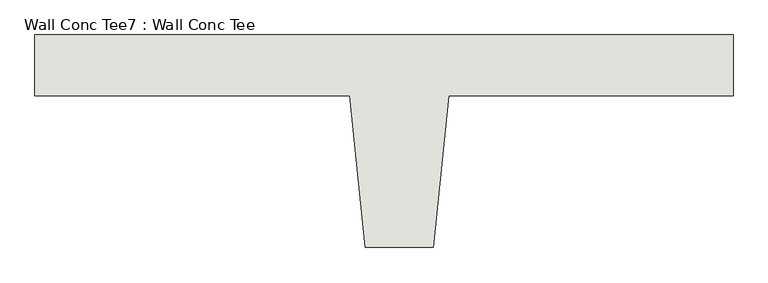
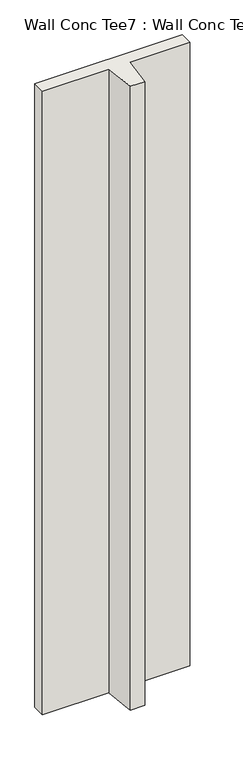
"""IFC4 building model written with IfcOpenShell, lengths in millimetres: wall geometry, Wall Conc Tee7 : Wall Conc Tee."""

from ifc_helpers import new_model, si_unit, frame, origin, place, context, project, spatial, polyline, outline, extrude, source, transform, mapped, element, save


def wall_conc_tee7_wall_conc_tee_f56462ca(model_context):
    return source(origin(), model_context, "Body", "SweptSolid", [
        extrude(outline(polyline([(223533.4728488, 159042.8596581), (223533.4728488, 158941.2596581), (223057.2228488, 158941.2596581), (223031.8228488, 158687.2596581), (222917.5228488, 158687.2596581), (222892.1228488, 158941.2596581), (222365.0728488, 158941.2596581), (222365.0728488, 159042.8596581), (223533.4728488, 159042.8596581)])), frame((0.0, 0.0, 143.7592564), z_axis=(0.0, 0.0, 1.0), x_axis=(1.0, 0.0, 0.0)), (0.0, 0.0, 1.0), 5232.4087123),
    ])


if __name__ == "__main__":
    model = new_model("IFC4")
    model_context = context("Model", 3, world=origin())
    ifc_project = project(units=[si_unit("LENGTHUNIT", "METRE", prefix="MILLI")], contexts=[model_context])
    site = spatial("IfcSite", under=ifc_project)
    building = spatial("IfcBuilding", under=site)
    placement = place(None, origin())
    wall_conc_tee7_wall_conc_tee_shape = wall_conc_tee7_wall_conc_tee_f56462ca(model_context)
    element("IfcWall", 1, ObjectType="Wall Conc Tee7 : Wall Conc Tee", at=placement, inside=building, context=model_context, shape_type="MappedRepresentation", body=[
        mapped(wall_conc_tee7_wall_conc_tee_shape, transform((0.0, 0.0, 0.0), x_axis=(1.0, 0.0, 0.0), y_axis=(0.0, 1.0, 0.0), z_axis=(0.0, 0.0, 1.0))),
    ])
    save(model, "model.ifc")
